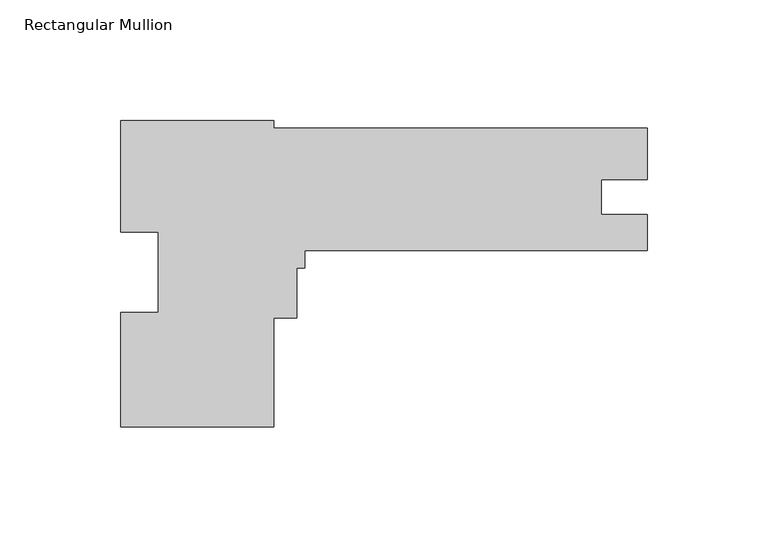
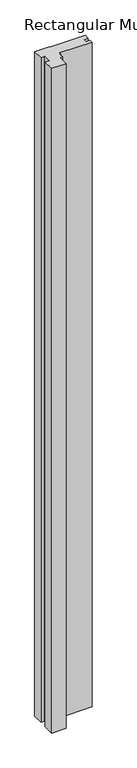
"""IFC4 building model written with IfcOpenShell, lengths in millimetres: member geometry, Rectangular Mullion."""

import ifcopenshell
import ifcopenshell.guid

model = None  # the IFC model being written
_history = None  # IfcOwnerHistory: only IFC2X3 demands one
_inside = {}  # id of a spatial element -> (the spatial element, [elements in it])
_under = {}  # id of a project, library or spatial element -> (it, [spatial elements below it])
_declared = {}  # id of a project -> (the project, [libraries it declares])
_typed = {}  # id of a type object -> (the type object, [elements of that type])
_made_of = {}  # id of a material, layer set ... -> (it, [elements and type objects made of it])


def new_model(schema):
    """Start an empty IFC model of exactly this schema.

    Asked for "IFC4X3", IfcOpenShell would pick the latest addendum, in which some entities
    have other attributes; the version numbers below select the first issue.
    IFC2X3 requires an IfcOwnerHistory on every rooted entity: one is made here for all.
    """
    global model, _history
    if schema == "IFC4X3":
        model = ifcopenshell.file(schema_version=(4, 3, 0, 0))
    else:
        model = ifcopenshell.file(schema=schema)
    _inside.clear()
    _under.clear()
    _declared.clear()
    _typed.clear()
    _made_of.clear()
    _history = None
    if model.schema == "IFC2X3":
        org = make("IfcOrganization", Name="unknown")
        user = make(
            "IfcPersonAndOrganization",
            ThePerson=make("IfcPerson", FamilyName="unknown"),
            TheOrganization=org,
        )
        app = make(
            "IfcApplication",
            ApplicationDeveloper=org,
            Version="unknown",
            ApplicationFullName="unknown",
            ApplicationIdentifier="unknown",
        )
        _history = make(
            "IfcOwnerHistory",
            OwningUser=user,
            OwningApplication=app,
            ChangeAction="ADDED",
            CreationDate=0,
        )
    return model


def make(cls, **values):
    """One entity of the class cls with the attributes given. An attribute that is None is left unset."""
    return model.create_entity(
        cls, **{name: value for name, value in values.items() if value is not None}
    )


def rooted(cls, **values):
    """An entity with a GlobalId (a new one), such as an element, a storey or a relation."""
    return make(cls, GlobalId=ifcopenshell.guid.new(), OwnerHistory=_history, **values)


def si_unit(unit_type, name, prefix=None):
    """IfcSIUnit, for example si_unit("LENGTHUNIT", "METRE", prefix="MILLI")."""
    return make("IfcSIUnit", UnitType=unit_type, Prefix=prefix, Name=name)


def assignment(units):
    """IfcUnitAssignment: the units of a project."""
    return None if units is None else make("IfcUnitAssignment", Units=units)


def point(xyz):
    """IfcCartesianPoint."""
    return None if xyz is None else make("IfcCartesianPoint", Coordinates=xyz)


def direction(xyz):
    """IfcDirection."""
    return None if xyz is None else make("IfcDirection", DirectionRatios=xyz)


def frame(location, z_axis=None, x_axis=None):
    """IfcAxis2Placement3D, a coordinate frame: its origin and axes. An axis left out is left unset."""
    return make(
        "IfcAxis2Placement3D",
        Location=point(location),
        Axis=direction(z_axis),
        RefDirection=direction(x_axis),
    )


def origin():
    """The frame at (0, 0, 0) with its axes left unset."""
    return frame((0.0, 0.0, 0.0))


def place(relative_to, where):
    """IfcLocalPlacement: puts the frame where relative to a parent placement (None: the world)."""
    return make(
        "IfcLocalPlacement", PlacementRelTo=relative_to, RelativePlacement=where
    )


def context(
    kind, dimensions, precision=None, world=None, true_north=None, identifier=None
):
    """IfcGeometricRepresentationContext, for example the 3D "Model" context."""
    return make(
        "IfcGeometricRepresentationContext",
        ContextIdentifier=identifier,
        ContextType=kind,
        CoordinateSpaceDimension=dimensions,
        Precision=precision,
        WorldCoordinateSystem=world,
        TrueNorth=true_north,
    )


def project(units=None, contexts=None):
    """IfcProject with its units and contexts."""
    return rooted(
        "IfcProject",
        Name="project",
        RepresentationContexts=contexts,
        UnitsInContext=assignment(units),
    )


def spatial(cls, under=None, at=None, **own):
    """A site, building, storey or space (cls), placed at a placement, below another one or the project."""
    s = rooted(cls, ObjectPlacement=at, **own)
    if under is not None:
        _under.setdefault(under.id(), (under, []))[1].append(s)
    return s


def polyline(points):
    """IfcPolyline through the points."""
    return make("IfcPolyline", Points=[point(p) for p in points])


def outline(outer, holes=None, kind="AREA"):
    """IfcArbitraryClosedProfileDef: a profile drawn as a closed curve; with holes, ...WithVoids."""
    if holes is None:
        return make("IfcArbitraryClosedProfileDef", ProfileType=kind, OuterCurve=outer)
    return make(
        "IfcArbitraryProfileDefWithVoids",
        ProfileType=kind,
        OuterCurve=outer,
        InnerCurves=holes,
    )


def extrude(swept, where, along, depth):
    """IfcExtrudedAreaSolid: the profile swept, set in the frame where, extruded along a direction by depth."""
    return make(
        "IfcExtrudedAreaSolid",
        SweptArea=swept,
        Position=where,
        ExtrudedDirection=direction(along),
        Depth=depth,
    )


def shape(context_of_items, identifier, shape_type, items):
    """IfcShapeRepresentation: the items that make up one representation, for example the "Body"."""
    return make(
        "IfcShapeRepresentation",
        ContextOfItems=context_of_items,
        RepresentationIdentifier=identifier,
        RepresentationType=shape_type,
        Items=items,
    )


def source(mapping_origin, context_of_items, identifier, shape_type, items):
    """IfcRepresentationMap: a shape defined once, which mapped items show again and again."""
    return make(
        "IfcRepresentationMap",
        MappingOrigin=mapping_origin,
        MappedRepresentation=shape(context_of_items, identifier, shape_type, items),
    )


def transform(
    local_origin,
    x_axis=None,
    y_axis=None,
    z_axis=None,
    scale=None,
    scale2=None,
    scale3=None,
    uniform=True,
):
    """IfcCartesianTransformationOperator3D, or its non-uniform kind. x_axis, y_axis, z_axis: its Axis1, 2, 3."""
    if uniform:
        return make(
            "IfcCartesianTransformationOperator3D",
            Axis1=direction(x_axis),
            Axis2=direction(y_axis),
            LocalOrigin=point(local_origin),
            Scale=scale,
            Axis3=direction(z_axis),
        )
    return make(
        "IfcCartesianTransformationOperator3DnonUniform",
        Axis1=direction(x_axis),
        Axis2=direction(y_axis),
        LocalOrigin=point(local_origin),
        Scale=scale,
        Axis3=direction(z_axis),
        Scale2=scale2,
        Scale3=scale3,
    )


def mapped(mapping_source, mapping_target):
    """IfcMappedItem: shows the shape of a source again, moved by a transform."""
    return make(
        "IfcMappedItem", MappingSource=mapping_source, MappingTarget=mapping_target
    )


def made_of(thing, what):
    """Note that an element or type object is made of a material, layer set ...; save() writes the relation."""
    if what is not None:
        _made_of.setdefault(what.id(), (what, []))[1].append(thing)
    return thing


def element(
    cls,
    number,
    at=None,
    inside=None,
    cuts=None,
    type_object=None,
    material=None,
    context=None,
    identifier="Body",
    shape_type=None,
    held_by="IfcProductDefinitionShape",
    body=None,
    shapes=None,
    **own,
):
    """One element of the class cls, such as IfcWall. Its Tag is "e" and its number.

    at: its placement. inside: the storey or other place that contains it. cuts: it is an
    opening in that element (IfcRelVoidsElement). A single representation is given by context,
    identifier, shape_type and body (its items); several are given by shapes. held_by: the class
    of the entity that holds the representations. save() writes the other relations.
    """
    e = rooted(cls, Tag="e%d" % number, ObjectPlacement=at, **own)
    if body is not None:
        shapes = [shape(context, identifier, shape_type, body)]
    if shapes is not None:
        e.Representation = make(held_by, Representations=shapes)
    if inside is not None:
        _inside.setdefault(inside.id(), (inside, []))[1].append(e)
    if cuts is not None:
        rooted(
            "IfcRelVoidsElement", RelatingBuildingElement=cuts, RelatedOpeningElement=e
        )
    if type_object is not None:
        _typed.setdefault(type_object.id(), (type_object, []))[1].append(e)
    return made_of(e, material)


def aggregate(whole, parts):
    """IfcRelAggregates: a whole, such as a stair, and the parts it consists of."""
    return rooted("IfcRelAggregates", RelatingObject=whole, RelatedObjects=parts)


def save(model, path):
    """Write the relations noted so far, then the file.

    IfcRelAggregates (storeys below a building ...), IfcRelContainedInSpatialStructure (elements
    in a storey), IfcRelDefinesByType, IfcRelAssociatesMaterial and IfcRelDeclares: one each for
    every whole, place, type object, material and project.
    """
    for whole, parts in _under.values():
        aggregate(whole, parts)
    for where, things in _inside.values():
        rooted(
            "IfcRelContainedInSpatialStructure",
            RelatedElements=things,
            RelatingStructure=where,
        )
    for kind, things in _typed.values():
        rooted("IfcRelDefinesByType", RelatedObjects=things, RelatingType=kind)
    for what, things in _made_of.values():
        rooted("IfcRelAssociatesMaterial", RelatedObjects=things, RelatingMaterial=what)
    for by, libraries in _declared.values():
        rooted("IfcRelDeclares", RelatingContext=by, RelatedDefinitions=libraries)
    model.write(path)


def rectangular_mullion_8bee8c52(model_context):
    return source(origin(), model_context, "Body", "SweptSolid", [
        extrude(outline(polyline([(-154.6860013, -63.4111), (-218.1860013, -63.4111), (-218.1860013, -15.9012192), (-202.6920013, -15.9012192), (-202.6920013, 17.4076346), (-218.1860013, 17.4076346), (-218.1860013, 63.5889), (-154.6860013, 63.5889), (-154.6860013, 60.4139), (-1.3e-06, 60.4139), (-1.3e-06, 39.0270934), (-19.0246, 39.0270934), (-19.0246, 24.7142), (0.0, 24.7142), (0.0, 9.6139), (-141.9860013, 9.6139), (-141.9860013, 2.451354), (-145.1610013, 2.451354), (-145.1610013, -18.173446), (-154.6860013, -18.173446), (-154.6860013, -63.4111)])), frame((0.0, 0.0, -3048.0), z_axis=(0.0, 0.0, 1.0), x_axis=(1.0, 0.0, 0.0)), (0.0, 0.0, 1.0), 3048.0),
    ])


if __name__ == "__main__":
    model = new_model("IFC4")
    model_context = context("Model", 3, world=origin())
    ifc_project = project(units=[si_unit("LENGTHUNIT", "METRE", prefix="MILLI")], contexts=[model_context])
    site = spatial("IfcSite", under=ifc_project)
    building = spatial("IfcBuilding", under=site)
    placement = place(None, origin())
    rectangular_mullion_shape = rectangular_mullion_8bee8c52(model_context)
    element("IfcMember", 1, ObjectType="Rectangular Mullion", at=placement, inside=building, context=model_context, shape_type="MappedRepresentation", body=[
        mapped(rectangular_mullion_shape, transform((0.0, 0.0, 0.0), x_axis=(1.0, 0.0, 0.0), y_axis=(0.0, 1.0, 0.0), z_axis=(0.0, 0.0, 1.0))),
    ])
    save(model, "model.ifc")
